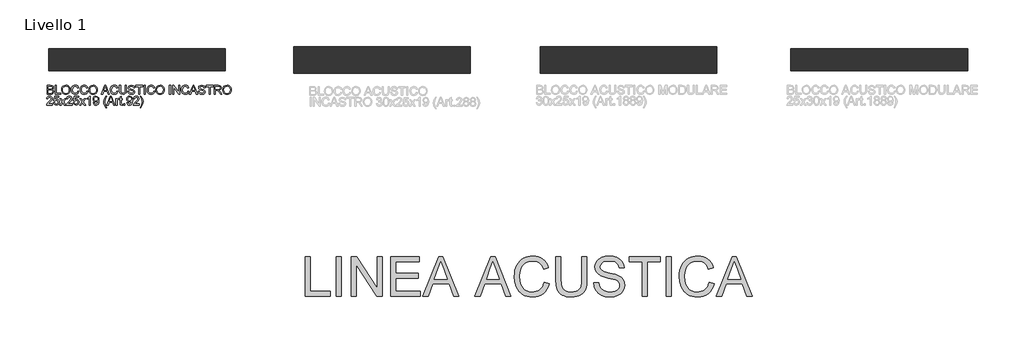
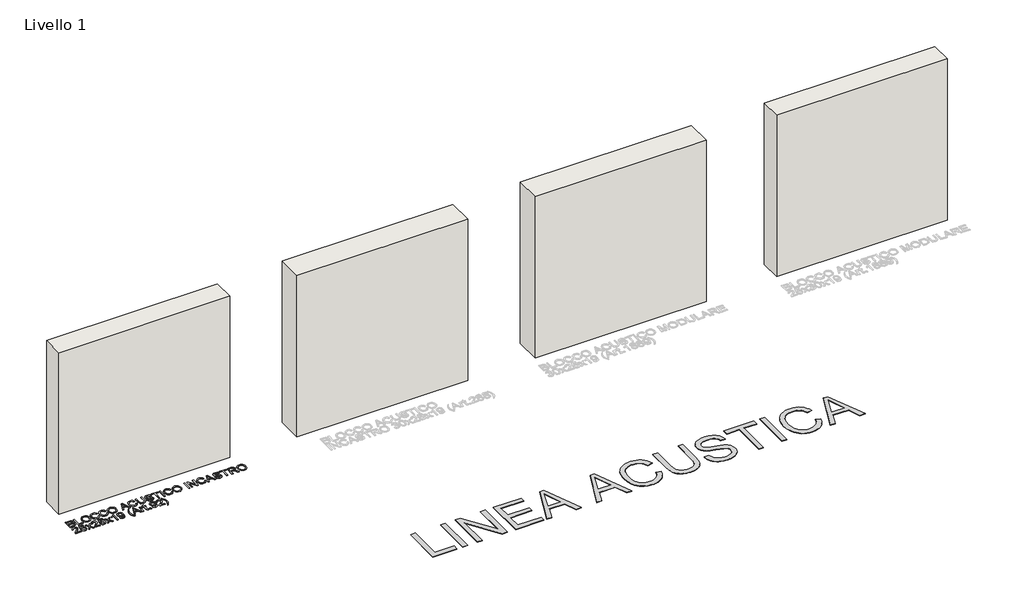
# One storey, part 1 of 4: 4 walls, 2 proxies.
"""IFC4 building model written with IfcOpenShell, lengths in millimetres."""

import ifcopenshell
import ifcopenshell.guid

model = None  # the IFC model being written
_history = None  # IfcOwnerHistory: only IFC2X3 demands one
_inside = {}  # id of a spatial element -> (the spatial element, [elements in it])
_under = {}  # id of a project, library or spatial element -> (it, [spatial elements below it])
_declared = {}  # id of a project -> (the project, [libraries it declares])
_typed = {}  # id of a type object -> (the type object, [elements of that type])
_made_of = {}  # id of a material, layer set ... -> (it, [elements and type objects made of it])


def new_model(schema):
    """Start an empty IFC model of exactly this schema.

    Asked for "IFC4X3", IfcOpenShell would pick the latest addendum, in which some entities
    have other attributes; the version numbers below select the first issue.
    IFC2X3 requires an IfcOwnerHistory on every rooted entity: one is made here for all.
    """
    global model, _history
    if schema == "IFC4X3":
        model = ifcopenshell.file(schema_version=(4, 3, 0, 0))
    else:
        model = ifcopenshell.file(schema=schema)
    _inside.clear()
    _under.clear()
    _declared.clear()
    _typed.clear()
    _made_of.clear()
    _history = None
    if model.schema == "IFC2X3":
        org = make("IfcOrganization", Name="unknown")
        user = make(
            "IfcPersonAndOrganization",
            ThePerson=make("IfcPerson", FamilyName="unknown"),
            TheOrganization=org,
        )
        app = make(
            "IfcApplication",
            ApplicationDeveloper=org,
            Version="unknown",
            ApplicationFullName="unknown",
            ApplicationIdentifier="unknown",
        )
        _history = make(
            "IfcOwnerHistory",
            OwningUser=user,
            OwningApplication=app,
            ChangeAction="ADDED",
            CreationDate=0,
        )
    return model


def make(cls, **values):
    """One entity of the class cls with the attributes given. An attribute that is None is left unset."""
    return model.create_entity(
        cls, **{name: value for name, value in values.items() if value is not None}
    )


def rooted(cls, **values):
    """An entity with a GlobalId (a new one), such as an element, a storey or a relation."""
    return make(cls, GlobalId=ifcopenshell.guid.new(), OwnerHistory=_history, **values)


def si_unit(unit_type, name, prefix=None):
    """IfcSIUnit, for example si_unit("LENGTHUNIT", "METRE", prefix="MILLI")."""
    return make("IfcSIUnit", UnitType=unit_type, Prefix=prefix, Name=name)


def assignment(units):
    """IfcUnitAssignment: the units of a project."""
    return None if units is None else make("IfcUnitAssignment", Units=units)


def point(xyz):
    """IfcCartesianPoint."""
    return None if xyz is None else make("IfcCartesianPoint", Coordinates=xyz)


def direction(xyz):
    """IfcDirection."""
    return None if xyz is None else make("IfcDirection", DirectionRatios=xyz)


def frame(location, z_axis=None, x_axis=None):
    """IfcAxis2Placement3D, a coordinate frame: its origin and axes. An axis left out is left unset."""
    return make(
        "IfcAxis2Placement3D",
        Location=point(location),
        Axis=direction(z_axis),
        RefDirection=direction(x_axis),
    )


def origin():
    """The frame at (0, 0, 0) with its axes left unset."""
    return frame((0.0, 0.0, 0.0))


def origin_with_axes():
    """The frame at (0, 0, 0) with the z axis (0, 0, 1) and the x axis (1, 0, 0) written out."""
    return frame((0.0, 0.0, 0.0), z_axis=(0.0, 0.0, 1.0), x_axis=(1.0, 0.0, 0.0))


def place(relative_to, where):
    """IfcLocalPlacement: puts the frame where relative to a parent placement (None: the world)."""
    return make(
        "IfcLocalPlacement", PlacementRelTo=relative_to, RelativePlacement=where
    )


def context(
    kind, dimensions, precision=None, world=None, true_north=None, identifier=None
):
    """IfcGeometricRepresentationContext, for example the 3D "Model" context."""
    return make(
        "IfcGeometricRepresentationContext",
        ContextIdentifier=identifier,
        ContextType=kind,
        CoordinateSpaceDimension=dimensions,
        Precision=precision,
        WorldCoordinateSystem=world,
        TrueNorth=true_north,
    )


def project(units=None, contexts=None):
    """IfcProject with its units and contexts."""
    return rooted(
        "IfcProject",
        Name="project",
        RepresentationContexts=contexts,
        UnitsInContext=assignment(units),
    )


def spatial(cls, under=None, at=None, **own):
    """A site, building, storey or space (cls), placed at a placement, below another one or the project."""
    s = rooted(cls, ObjectPlacement=at, **own)
    if under is not None:
        _under.setdefault(under.id(), (under, []))[1].append(s)
    return s


def polyline(points):
    """IfcPolyline through the points."""
    return make("IfcPolyline", Points=[point(p) for p in points])


def outline(outer, holes=None, kind="AREA"):
    """IfcArbitraryClosedProfileDef: a profile drawn as a closed curve; with holes, ...WithVoids."""
    if holes is None:
        return make("IfcArbitraryClosedProfileDef", ProfileType=kind, OuterCurve=outer)
    return make(
        "IfcArbitraryProfileDefWithVoids",
        ProfileType=kind,
        OuterCurve=outer,
        InnerCurves=holes,
    )


def extrude(swept, where, along, depth):
    """IfcExtrudedAreaSolid: the profile swept, set in the frame where, extruded along a direction by depth."""
    return make(
        "IfcExtrudedAreaSolid",
        SweptArea=swept,
        Position=where,
        ExtrudedDirection=direction(along),
        Depth=depth,
    )


def shape(context_of_items, identifier, shape_type, items):
    """IfcShapeRepresentation: the items that make up one representation, for example the "Body"."""
    return make(
        "IfcShapeRepresentation",
        ContextOfItems=context_of_items,
        RepresentationIdentifier=identifier,
        RepresentationType=shape_type,
        Items=items,
    )


def made_of(thing, what):
    """Note that an element or type object is made of a material, layer set ...; save() writes the relation."""
    if what is not None:
        _made_of.setdefault(what.id(), (what, []))[1].append(thing)
    return thing


def element(
    cls,
    number,
    at=None,
    inside=None,
    cuts=None,
    type_object=None,
    material=None,
    context=None,
    identifier="Body",
    shape_type=None,
    held_by="IfcProductDefinitionShape",
    body=None,
    shapes=None,
    **own,
):
    """One element of the class cls, such as IfcWall. Its Tag is "e" and its number.

    at: its placement. inside: the storey or other place that contains it. cuts: it is an
    opening in that element (IfcRelVoidsElement). A single representation is given by context,
    identifier, shape_type and body (its items); several are given by shapes. held_by: the class
    of the entity that holds the representations. save() writes the other relations.
    """
    e = rooted(cls, Tag="e%d" % number, ObjectPlacement=at, **own)
    if body is not None:
        shapes = [shape(context, identifier, shape_type, body)]
    if shapes is not None:
        e.Representation = make(held_by, Representations=shapes)
    if inside is not None:
        _inside.setdefault(inside.id(), (inside, []))[1].append(e)
    if cuts is not None:
        rooted(
            "IfcRelVoidsElement", RelatingBuildingElement=cuts, RelatedOpeningElement=e
        )
    if type_object is not None:
        _typed.setdefault(type_object.id(), (type_object, []))[1].append(e)
    return made_of(e, material)


def aggregate(whole, parts):
    """IfcRelAggregates: a whole, such as a stair, and the parts it consists of."""
    return rooted("IfcRelAggregates", RelatingObject=whole, RelatedObjects=parts)


def save(model, path):
    """Write the relations noted so far, then the file.

    IfcRelAggregates (storeys below a building ...), IfcRelContainedInSpatialStructure (elements
    in a storey), IfcRelDefinesByType, IfcRelAssociatesMaterial and IfcRelDeclares: one each for
    every whole, place, type object, material and project.
    """
    for whole, parts in _under.values():
        aggregate(whole, parts)
    for where, things in _inside.values():
        rooted(
            "IfcRelContainedInSpatialStructure",
            RelatedElements=things,
            RelatingStructure=where,
        )
    for kind, things in _typed.values():
        rooted("IfcRelDefinesByType", RelatedObjects=things, RelatingType=kind)
    for what, things in _made_of.values():
        rooted("IfcRelAssociatesMaterial", RelatedObjects=things, RelatingMaterial=what)
    for by, libraries in _declared.values():
        rooted("IfcRelDeclares", RelatingContext=by, RelatedDefinitions=libraries)
    model.write(path)


model = new_model("IFC4")

# Units and contexts
model_context = context("Model", 3, world=origin())
ifc_project = project(units=[si_unit("LENGTHUNIT", "METRE", prefix="MILLI")], contexts=[model_context])

# Site, building, storey
site = spatial("IfcSite", under=ifc_project)
building = spatial("IfcBuilding", under=site)
storey = spatial("IfcBuildingStorey", under=building, Name="Livello 1", Elevation=0.0)

# Proxies
placement = place(None, origin())
element("IfcBuildingElementProxy", 1, Name="100", ObjectType="100", at=placement, inside=storey, context=model_context, shape_type="SweptSolid", body=[
    extrude(outline(polyline([(-6058.3962105, 328.6957943), (-6058.3962105, 429.1521045), (-6020.0629066, 429.1521045), (-6001.2886621, 426.1967858), (-5990.2031513, 417.1101005), (-5986.1932376, 404.2587561), (-5989.5654892, 392.5233205), (-5999.7558205, 383.6328389), (-5987.3827227, 374.2641108), (-5983.0539779, 358.6413887), (-5986.0092966, 345.1401195), (-5993.3301483, 335.5261367), (-6004.2562436, 330.4248397), (-6020.3572122, 328.6957943), (-6058.3962105, 328.6957943)]), holes=[polyline([(-6045.8391717, 341.2528331), (-6020.0874321, 341.2528331), (-6010.7677549, 341.7433424), (-6002.8828174, 344.4779319), (-5997.6588931, 350.0574755), (-5995.6110167, 358.5187614), (-5998.0145124, 368.279897), (-6005.8013479, 374.1046953), (-6021.3137054, 375.7846897), (-6045.8391717, 375.7846897), (-6045.8391717, 341.2528331)]), polyline([(-6045.8391717, 388.3417285), (-6022.9078607, 388.3417285), (-6009.5169561, 389.420849), (-6001.4603404, 394.0684249), (-5998.7502764, 402.2476679), (-6001.2763994, 410.4391736), (-6008.511412, 415.2829533), (-6024.6491688, 416.5950657), (-6045.8391717, 416.5950657), (-6045.8391717, 388.3417285)])]), origin_with_axes(), (0.0, 0.0, 1.0), 5.0),
    extrude(outline(polyline([(-5965.7880496, 328.6957943), (-5965.7880496, 429.1521045), (-5953.2310108, 429.1521045), (-5953.2310108, 341.2528331), (-5903.0028558, 341.2528331), (-5903.0028558, 328.6957943), (-5965.7880496, 328.6957943)])), origin_with_axes(), (0.0, 0.0, 1.0), 5.0),
    extrude(outline(polyline([(-5893.5850767, 377.5995742), (-5890.2373505, 399.8135154), (-5880.1941721, 416.6195912), (-5864.8596242, 427.1961985), (-5845.63779, 430.7217343), (-5832.4614832, 429.0662653), (-5820.6463398, 424.0998584), (-5810.8361532, 416.1720014), (-5803.6747171, 405.6321822), (-5799.2969213, 392.9893043), (-5797.8376561, 378.7522711), (-5799.3735634, 364.3251656), (-5803.9812854, 351.504478), (-5811.4063703, 340.9462648), (-5821.3943665, 333.306582), (-5833.1083424, 328.6712689), (-5845.7113664, 327.1261645), (-5859.0900083, 328.8337501), (-5870.9725967, 333.9565069), (-5880.7582578, 342.0315166), (-5887.8461176, 352.5958613), (-5893.5850767, 377.5995742)]), holes=[polyline([(-5881.0280379, 377.4769469), (-5878.5172433, 361.7622543), (-5870.9848594, 349.7876954), (-5859.663291, 342.2093263), (-5845.7849428, 339.6832032), (-5831.7042594, 342.2338517), (-5820.3642969, 349.8857972), (-5812.8870954, 362.2282382), (-5810.3946948, 378.850373), (-5814.662126, 399.5743921), (-5827.1333256, 413.2963905), (-5845.5642136, 418.1646955), (-5859.0716142, 415.8194478), (-5870.5556638, 408.7837047), (-5878.4099444, 396.2665198), (-5881.0280379, 377.4769469)])]), origin_with_axes(), (0.0, 0.0, 1.0), 5.0),
    extrude(outline(polyline([(-5709.9383847, 364.4048733), (-5697.3813459, 361.1675118), (-5703.1754873, 346.5350054), (-5712.268304, 335.8449678), (-5724.2122061, 329.3058653), (-5738.5596039, 327.1261645), (-5753.1246652, 328.7755021), (-5764.6914883, 333.7235149), (-5773.5574444, 341.7985247), (-5780.0199048, 352.8288532), (-5785.2806173, 379.6842389), (-5783.7937609, 394.3320736), (-5779.3331917, 406.9810829), (-5772.1319017, 417.2296621), (-5762.4228827, 424.6762069), (-5750.9081762, 429.2103525), (-5738.2898238, 430.7217343), (-5724.5218401, 428.7658284), (-5713.138958, 422.8981106), (-5704.4967968, 413.4803315), (-5698.9509758, 400.8742418), (-5711.5080145, 397.8821349), (-5721.8087104, 413.3209159), (-5738.7803331, 418.1646955), (-5758.4252316, 412.7936184), (-5769.5230052, 398.3726442), (-5772.7235785, 379.7087643), (-5768.934394, 358.077303), (-5757.1376447, 344.2572027), (-5739.8104027, 339.6832032), (-5729.3288315, 341.2405704), (-5720.5946998, 345.9126717), (-5714.000415, 353.6504563), (-5709.9383847, 364.4048733)])), origin_with_axes(), (0.0, 0.0, 1.0), 5.0),
    extrude(outline(polyline([(-5609.4820745, 364.4048733), (-5596.9250358, 361.1675118), (-5602.7191772, 346.5350054), (-5611.8119938, 335.8449678), (-5623.7558959, 329.3058653), (-5638.1032938, 327.1261645), (-5652.6683551, 328.7755021), (-5664.2351782, 333.7235149), (-5673.1011342, 341.7985247), (-5679.5635946, 352.8288532), (-5684.8243071, 379.6842389), (-5683.3374508, 394.3320736), (-5678.8768816, 406.9810829), (-5671.6755915, 417.2296621), (-5661.9665725, 424.6762069), (-5650.4518661, 429.2103525), (-5637.8335136, 430.7217343), (-5624.06553, 428.7658284), (-5612.6826479, 422.8981106), (-5604.0404867, 413.4803315), (-5598.4946656, 400.8742418), (-5611.0517044, 397.8821349), (-5621.3524002, 413.3209159), (-5638.324023, 418.1646955), (-5657.9689215, 412.7936184), (-5669.066695, 398.3726442), (-5672.2672684, 379.7087643), (-5668.4780838, 358.077303), (-5656.6813345, 344.2572027), (-5639.3540925, 339.6832032), (-5628.8725214, 341.2405704), (-5620.1383897, 345.9126717), (-5613.5441049, 353.6504563), (-5609.4820745, 364.4048733)])), origin_with_axes(), (0.0, 0.0, 1.0), 5.0),
    extrude(outline(polyline([(-5584.367997, 377.5995742), (-5581.0202708, 399.8135154), (-5570.9770924, 416.6195912), (-5555.6425445, 427.1961985), (-5536.4207103, 430.7217343), (-5523.2444035, 429.0662653), (-5511.4292601, 424.0998584), (-5501.6190735, 416.1720014), (-5494.4576374, 405.6321822), (-5490.0798416, 392.9893043), (-5488.6205764, 378.7522711), (-5490.1564837, 364.3251656), (-5494.7642057, 351.504478), (-5502.1892906, 340.9462648), (-5512.1772868, 333.306582), (-5523.8912627, 328.6712689), (-5536.4942867, 327.1261645), (-5549.8729286, 328.8337501), (-5561.755517, 333.9565069), (-5571.5411781, 342.0315166), (-5578.6290379, 352.5958613), (-5584.367997, 377.5995742)]), holes=[polyline([(-5571.8109582, 377.4769469), (-5569.3001636, 361.7622543), (-5561.7677798, 349.7876954), (-5550.4462114, 342.2093263), (-5536.5678631, 339.6832032), (-5522.4871797, 342.2338517), (-5511.1472172, 349.8857972), (-5503.6700157, 362.2282382), (-5501.1776152, 378.850373), (-5505.4450463, 399.5743921), (-5517.9162459, 413.2963905), (-5536.3471339, 418.1646955), (-5549.8545345, 415.8194478), (-5561.3385841, 408.7837047), (-5569.1928647, 396.2665198), (-5571.8109582, 377.4769469)])]), origin_with_axes(), (0.0, 0.0, 1.0), 5.0),
    extrude(outline(polyline([(-5443.8125494, 328.6957943), (-5403.7134119, 429.1521045), (-5393.0203086, 429.1521045), (-5352.9211711, 328.6957943), (-5366.1894484, 328.6957943), (-5377.6918921, 360.0883912), (-5419.0663538, 360.0883912), (-5430.5442721, 328.6957943), (-5443.8125494, 328.6957943)]), holes=[polyline([(-5414.4555662, 372.64543), (-5382.2781543, 372.64543), (-5391.3280514, 397.3425746), (-5398.3668602, 416.5950657), (-5404.6208542, 399.5008157), (-5414.4555662, 372.64543)])]), origin_with_axes(), (0.0, 0.0, 1.0), 5.0),
    extrude(outline(polyline([(-5268.8723979, 364.4048733), (-5256.3153592, 361.1675118), (-5262.1095006, 346.5350054), (-5271.2023172, 335.8449678), (-5283.1462193, 329.3058653), (-5297.4936172, 327.1261645), (-5312.0586785, 328.7755021), (-5323.6255015, 333.7235149), (-5332.4914576, 341.7985247), (-5338.953918, 352.8288532), (-5344.2146305, 379.6842389), (-5342.7277741, 394.3320736), (-5338.267205, 406.9810829), (-5331.0659149, 417.2296621), (-5321.3568959, 424.6762069), (-5309.8421895, 429.2103525), (-5297.223837, 430.7217343), (-5283.4558534, 428.7658284), (-5272.0729713, 422.8981106), (-5263.4308101, 413.4803315), (-5257.884989, 400.8742418), (-5270.4420278, 397.8821349), (-5280.7427236, 413.3209159), (-5297.7143464, 418.1646955), (-5317.3592449, 412.7936184), (-5328.4570184, 398.3726442), (-5331.6575918, 379.7087643), (-5327.8684072, 358.077303), (-5316.0716579, 344.2572027), (-5298.7444159, 339.6832032), (-5288.2628448, 341.2405704), (-5279.5287131, 345.9126717), (-5272.9344283, 353.6504563), (-5268.8723979, 364.4048733)])), origin_with_axes(), (0.0, 0.0, 1.0), 5.0),
    extrude(outline(polyline([(-5173.1249773, 429.1521045), (-5160.5679386, 429.1521045), (-5160.5679386, 371.1984275), (-5163.9769784, 347.1757332), (-5176.264237, 332.7057081), (-5186.5281447, 328.5210504), (-5199.56343, 327.1261645), (-5222.5070038, 331.9822068), (-5230.1466866, 337.9265667), (-5235.2357208, 346.0475618), (-5239.0494309, 371.1984275), (-5239.0494309, 429.1521045), (-5226.4923921, 429.1521045), (-5226.4923921, 371.6398859), (-5224.01532, 352.4977594), (-5215.5049832, 343.0186667), (-5200.7406524, 339.6832032), (-5187.9690158, 341.3325409), (-5179.4770731, 346.2805537), (-5174.7130013, 355.919062), (-5173.1249773, 371.6398859), (-5173.1249773, 429.1521045)])), origin_with_axes(), (0.0, 0.0, 1.0), 5.0),
    extrude(outline(polyline([(-5143.3020102, 363.2276509), (-5130.7449715, 363.2276509), (-5126.6982695, 350.6583494), (-5116.8145066, 342.7120983), (-5101.7558703, 339.6832032), (-5088.6347458, 341.9763343), (-5080.1611971, 348.2793792), (-5077.3775567, 356.7038769), (-5079.4622214, 364.5397634), (-5087.9970836, 370.2419343), (-5106.2808188, 375.036663), (-5125.9625055, 381.2293432), (-5136.6433461, 390.5735459), (-5140.1627506, 403.0570083), (-5135.8094803, 417.269516), (-5123.093026, 427.3004318), (-5104.478197, 430.7217343), (-5084.6125693, 427.1410162), (-5071.3688175, 416.6195912), (-5066.3901478, 400.8987672), (-5078.9471866, 400.8987672), (-5081.2525804, 408.3912972), (-5086.0595718, 413.7991625), (-5103.9876877, 418.1646955), (-5121.9648545, 413.8482135), (-5127.6057118, 403.4248903), (-5123.6080608, 394.7183497), (-5103.1047709, 387.7040663), (-5080.8846984, 381.4010215), (-5068.7323298, 371.222953), (-5064.8205179, 357.0227079), (-5069.320941, 342.0008598), (-5082.2703872, 331.0379764), (-5101.2653609, 327.1261645), (-5123.6938999, 331.3445447), (-5137.8818822, 344.0487363), (-5143.3020102, 363.2276509)])), origin_with_axes(), (0.0, 0.0, 1.0), 5.0),
    extrude(outline(polyline([(-5020.8708823, 328.6957943), (-5020.8708823, 416.5950657), (-5053.833109, 416.5950657), (-5053.833109, 429.1521045), (-4975.3516167, 429.1521045), (-4975.3516167, 416.5950657), (-5008.3138435, 416.5950657), (-5008.3138435, 328.6957943), (-5020.8708823, 328.6957943)])), origin_with_axes(), (0.0, 0.0, 1.0), 5.0),
    extrude(outline(polyline([(-4959.6553183, 328.6957943), (-4959.6553183, 429.1521045), (-4947.0982795, 429.1521045), (-4947.0982795, 328.6957943), (-4959.6553183, 328.6957943)])), origin_with_axes(), (0.0, 0.0, 1.0), 5.0),
    extrude(outline(polyline([(-4851.3508589, 364.4048733), (-4838.7938201, 361.1675118), (-4844.5879615, 346.5350054), (-4853.6807782, 335.8449678), (-4865.6246803, 329.3058653), (-4879.9720781, 327.1261645), (-4894.5371394, 328.7755021), (-4906.1039625, 333.7235149), (-4914.9699186, 341.7985247), (-4921.432379, 352.8288532), (-4926.6930915, 379.6842389), (-4925.2062351, 394.3320736), (-4920.7456659, 406.9810829), (-4913.5443758, 417.2296621), (-4903.8353569, 424.6762069), (-4892.3206504, 429.2103525), (-4879.702298, 430.7217343), (-4865.9343143, 428.7658284), (-4854.5514322, 422.8981106), (-4845.909271, 413.4803315), (-4840.36345, 400.8742418), (-4852.9204887, 397.8821349), (-4863.2211846, 413.3209159), (-4880.1928073, 418.1646955), (-4899.8377058, 412.7936184), (-4910.9354794, 398.3726442), (-4914.1360527, 379.7087643), (-4910.3468682, 358.077303), (-4898.5501189, 344.2572027), (-4881.2228769, 339.6832032), (-4870.7413057, 341.2405704), (-4862.007174, 345.9126717), (-4855.4128892, 353.6504563), (-4851.3508589, 364.4048733)])), origin_with_axes(), (0.0, 0.0, 1.0), 5.0),
    extrude(outline(polyline([(-4826.2367813, 377.5995742), (-4822.8890552, 399.8135154), (-4812.8458767, 416.6195912), (-4797.5113289, 427.1961985), (-4778.2894946, 430.7217343), (-4765.1131878, 429.0662653), (-4753.2980444, 424.0998584), (-4743.4878579, 416.1720014), (-4736.3264217, 405.6321822), (-4731.948626, 392.9893043), (-4730.4893607, 378.7522711), (-4732.0252681, 364.3251656), (-4736.63299, 351.504478), (-4744.058075, 340.9462648), (-4754.0460712, 333.306582), (-4765.760047, 328.6712689), (-4778.363071, 327.1261645), (-4791.7417129, 328.8337501), (-4803.6243014, 333.9565069), (-4813.4099624, 342.0315166), (-4820.4978222, 352.5958613), (-4826.2367813, 377.5995742)]), holes=[polyline([(-4813.6797426, 377.4769469), (-4811.168948, 361.7622543), (-4803.6365641, 349.7876954), (-4792.3149957, 342.2093263), (-4778.4366474, 339.6832032), (-4764.3559641, 342.2338517), (-4753.0160016, 349.8857972), (-4745.5388, 362.2282382), (-4743.0463995, 378.850373), (-4747.3138306, 399.5743921), (-4759.7850303, 413.2963905), (-4778.2159182, 418.1646955), (-4791.7233188, 415.8194478), (-4803.2073684, 408.7837047), (-4811.061649, 396.2665198), (-4813.6797426, 377.4769469)])]), origin_with_axes(), (0.0, 0.0, 1.0), 5.0),
    extrude(outline(polyline([(-4672.4130564, 328.6957943), (-4672.4130564, 429.1521045), (-4659.8560177, 429.1521045), (-4659.8560177, 328.6957943), (-4672.4130564, 328.6957943)])), origin_with_axes(), (0.0, 0.0, 1.0), 5.0),
    extrude(outline(polyline([(-4634.7419401, 328.6957943), (-4634.7419401, 429.1521045), (-4621.3019846, 429.1521045), (-4568.8174866, 349.5669662), (-4568.8174866, 429.1521045), (-4556.2604478, 429.1521045), (-4556.2604478, 328.6957943), (-4569.7004034, 328.6957943), (-4622.1849013, 408.3054581), (-4622.1849013, 328.6957943), (-4634.7419401, 328.6957943)])), origin_with_axes(), (0.0, 0.0, 1.0), 5.0),
    extrude(outline(polyline([(-4463.6522869, 364.4048733), (-4451.0952481, 361.1675118), (-4456.8893895, 346.5350054), (-4465.9822062, 335.8449678), (-4477.9261083, 329.3058653), (-4492.2735061, 327.1261645), (-4506.8385674, 328.7755021), (-4518.4053905, 333.7235149), (-4527.2713466, 341.7985247), (-4533.733807, 352.8288532), (-4538.9945195, 379.6842389), (-4537.5076631, 394.3320736), (-4533.0470939, 406.9810829), (-4525.8458039, 417.2296621), (-4516.1367849, 424.6762069), (-4504.6220784, 429.2103525), (-4492.003726, 430.7217343), (-4478.2357423, 428.7658284), (-4466.8528602, 422.8981106), (-4458.210699, 413.4803315), (-4452.664878, 400.8742418), (-4465.2219167, 397.8821349), (-4475.5226126, 413.3209159), (-4492.4942353, 418.1646955), (-4512.1391339, 412.7936184), (-4523.2369074, 398.3726442), (-4526.4374807, 379.7087643), (-4522.6482962, 358.077303), (-4510.8515469, 344.2572027), (-4493.5243049, 339.6832032), (-4483.0427337, 341.2405704), (-4474.308602, 345.9126717), (-4467.7143173, 353.6504563), (-4463.6522869, 364.4048733)])), origin_with_axes(), (0.0, 0.0, 1.0), 5.0),
    extrude(outline(polyline([(-4445.5279673, 328.6957943), (-4405.4288298, 429.1521045), (-4394.7357265, 429.1521045), (-4354.636589, 328.6957943), (-4367.9048663, 328.6957943), (-4379.40731, 360.0883912), (-4420.7817717, 360.0883912), (-4432.25969, 328.6957943), (-4445.5279673, 328.6957943)]), holes=[polyline([(-4416.170984, 372.64543), (-4383.9935722, 372.64543), (-4393.0434693, 397.3425746), (-4400.0822781, 416.5950657), (-4406.336272, 399.5008157), (-4416.170984, 372.64543)])]), origin_with_axes(), (0.0, 0.0, 1.0), 5.0),
    extrude(outline(polyline([(-4345.9300484, 363.2276509), (-4333.3730097, 363.2276509), (-4329.3263077, 350.6583494), (-4319.4425448, 342.7120983), (-4304.3839084, 339.6832032), (-4291.262784, 341.9763343), (-4282.7892353, 348.2793792), (-4280.0055949, 356.7038769), (-4282.0902595, 364.5397634), (-4290.6251218, 370.2419343), (-4308.908857, 375.036663), (-4328.5905437, 381.2293432), (-4339.2713843, 390.5735459), (-4342.7907887, 403.0570083), (-4338.4375185, 417.269516), (-4325.7210642, 427.3004318), (-4307.1062352, 430.7217343), (-4287.2406075, 427.1410162), (-4273.9968556, 416.6195912), (-4269.018186, 400.8987672), (-4281.5752247, 400.8987672), (-4283.8806186, 408.3912972), (-4288.68761, 413.7991625), (-4306.6157259, 418.1646955), (-4324.5928927, 413.8482135), (-4330.23375, 403.4248903), (-4326.236099, 394.7183497), (-4305.7328091, 387.7040663), (-4283.5127366, 381.4010215), (-4271.360368, 371.222953), (-4267.4485561, 357.0227079), (-4271.9489792, 342.0008598), (-4284.8984254, 331.0379764), (-4303.8933991, 327.1261645), (-4326.3219381, 331.3445447), (-4340.5099204, 344.0487363), (-4345.9300484, 363.2276509)])), origin_with_axes(), (0.0, 0.0, 1.0), 5.0),
    extrude(outline(polyline([(-4223.4989204, 328.6957943), (-4223.4989204, 416.5950657), (-4256.4611472, 416.5950657), (-4256.4611472, 429.1521045), (-4177.9796549, 429.1521045), (-4177.9796549, 416.5950657), (-4210.9418817, 416.5950657), (-4210.9418817, 328.6957943), (-4223.4989204, 328.6957943)])), origin_with_axes(), (0.0, 0.0, 1.0), 5.0),
    extrude(outline(polyline([(-4163.8529863, 328.6957943), (-4163.8529863, 429.1521045), (-4120.5655382, 429.1521045), (-4100.4669185, 426.4420404), (-4089.4795096, 416.8525831), (-4085.371494, 401.6590567), (-4087.0729482, 391.763031), (-4092.1773109, 383.5592625), (-4100.8378662, 377.5443919), (-4113.2078983, 374.2150599), (-4106.0709876, 368.8439827), (-4095.892919, 355.919062), (-4079.1420255, 328.6957943), (-4093.734678, 328.6957943), (-4106.8067516, 349.5179152), (-4116.2490561, 363.3012273), (-4122.8831948, 369.8127386), (-4128.8551458, 372.2039716), (-4136.1392093, 372.64543), (-4151.2959475, 372.64543), (-4151.2959475, 328.6957943), (-4163.8529863, 328.6957943)]), holes=[polyline([(-4151.2959475, 385.2024688), (-4123.1897631, 385.2024688), (-4108.854628, 386.9805651), (-4100.7121732, 392.6704733), (-4097.9285328, 401.1930728), (-4103.2382962, 412.2540582), (-4120.0259779, 416.5950657), (-4151.2959475, 416.5950657), (-4151.2959475, 385.2024688)])]), origin_with_axes(), (0.0, 0.0, 1.0), 5.0),
    extrude(outline(polyline([(-4068.1055657, 377.5995742), (-4064.7578395, 399.8135154), (-4054.7146611, 416.6195912), (-4039.3801132, 427.1961985), (-4020.158279, 430.7217343), (-4006.9819722, 429.0662653), (-3995.1668288, 424.0998584), (-3985.3566422, 416.1720014), (-3978.1952061, 405.6321822), (-3973.8174103, 392.9893043), (-3972.3581451, 378.7522711), (-3973.8940524, 364.3251656), (-3978.5017744, 351.504478), (-3985.9268593, 340.9462648), (-3995.9148555, 333.306582), (-4007.6288314, 328.6712689), (-4020.2318554, 327.1261645), (-4033.6104973, 328.8337501), (-4045.4930857, 333.9565069), (-4055.2787468, 342.0315166), (-4062.3666066, 352.5958613), (-4068.1055657, 377.5995742)]), holes=[polyline([(-4055.5485269, 377.4769469), (-4053.0377323, 361.7622543), (-4045.5053484, 349.7876954), (-4034.18378, 342.2093263), (-4020.3054318, 339.6832032), (-4006.2247484, 342.2338517), (-3994.8847859, 349.8857972), (-3987.4075844, 362.2282382), (-3984.9151838, 378.850373), (-3989.182615, 399.5743921), (-4001.6538146, 413.2963905), (-4020.0847026, 418.1646955), (-4033.5921032, 415.8194478), (-4045.0761528, 408.7837047), (-4052.9304334, 396.2665198), (-4055.5485269, 377.4769469)])]), origin_with_axes(), (0.0, 0.0, 1.0), 5.0),
    extrude(outline(polyline([(-5998.7502764, 219.2780152), (-5998.7502764, 206.7209765), (-6064.6747299, 206.7209765), (-6063.3258293, 215.3784661), (-6055.6984092, 228.7080571), (-6039.9775853, 243.2639213), (-6018.297073, 264.1841441), (-6012.876945, 278.4089146), (-6017.9905047, 289.9236211), (-6031.3446211, 294.6202479), (-6045.2628233, 290.0339856), (-6050.5480613, 277.3543195), (-6063.1051001, 278.9239494), (-6060.0608765, 291.0701866), (-6053.4788545, 299.9422741), (-6043.7023905, 305.3685335), (-6031.074841, 307.1772866), (-6018.355321, 305.1661984), (-6008.5972511, 299.1329337), (-6002.3892424, 290.1198248), (-6000.3199062, 279.1692041), (-6002.5517236, 267.2620901), (-6009.9706772, 254.950306), (-6027.9601068, 237.7456914), (-6042.4056065, 225.6668992), (-6048.0709892, 219.2780152), (-5998.7502764, 219.2780152)])), origin_with_axes(), (0.0, 0.0, 1.0), 5.0),
    extrude(outline(polyline([(-5986.1932376, 233.4046839), (-5973.6361988, 234.9743137), (-5967.3086285, 222.0371302), (-5954.187504, 217.7083854), (-5945.1866579, 219.2136359), (-5938.4421546, 223.7293874), (-5934.2299058, 230.7344737), (-5932.8258228, 239.7077287), (-5938.0865354, 254.6192122), (-5944.6930829, 258.7210965), (-5953.9913003, 260.0883912), (-5965.0154974, 257.9056247), (-5972.066569, 252.240242), (-5984.6236078, 253.8098719), (-5973.6361988, 305.6076568), (-5924.9776736, 305.6076568), (-5924.9776736, 293.050618), (-5963.4826558, 293.050618), (-5968.8537329, 265.385892), (-5959.8835436, 270.8305455), (-5950.4841586, 272.64543), (-5938.7517886, 270.3952185), (-5929.0121128, 263.6445839), (-5922.4546162, 253.3561507), (-5920.2687841, 240.4925436), (-5922.2369527, 227.9355049), (-5928.1414588, 217.1933506), (-5939.4476987, 208.1618476), (-5954.2365549, 205.1513466), (-5966.5697988, 207.0857928), (-5976.3953138, 212.8891313), (-5983.13062, 221.8869117), (-5986.1932376, 233.4046839)])), origin_with_axes(), (0.0, 0.0, 1.0), 5.0),
    extrude(outline(polyline([(-5913.9902647, 206.7209765), (-5887.1594045, 243.8034816), (-5912.4206348, 280.4935792), (-5897.3129476, 280.4935792), (-5885.1237908, 262.8352435), (-5879.4338826, 254.4965849), (-5874.5042639, 261.3146646), (-5860.6228499, 280.4935792), (-5845.5151626, 280.4935792), (-5872.0517172, 243.8034816), (-5846.4961813, 206.7209765), (-5861.6038686, 206.7209765), (-5876.981336, 229.0146254), (-5879.8017646, 233.0858528), (-5898.8825774, 206.7209765), (-5913.9902647, 206.7209765)])), origin_with_axes(), (0.0, 0.0, 1.0), 5.0),
    extrude(outline(polyline([(-5774.2932084, 219.2780152), (-5774.2932084, 206.7209765), (-5840.2176619, 206.7209765), (-5838.8687613, 215.3784661), (-5831.2413412, 228.7080571), (-5815.5205173, 243.2639213), (-5793.8400051, 264.1841441), (-5788.419877, 278.4089146), (-5793.5334367, 289.9236211), (-5806.8875531, 294.6202479), (-5820.8057553, 290.0339856), (-5826.0909933, 277.3543195), (-5838.6480321, 278.9239494), (-5835.6038086, 291.0701866), (-5829.0217865, 299.9422741), (-5819.2453225, 305.3685335), (-5806.617773, 307.1772866), (-5793.898253, 305.1661984), (-5784.1401831, 299.1329337), (-5777.9321744, 290.1198248), (-5775.8628382, 279.1692041), (-5778.0946557, 267.2620901), (-5785.5136092, 254.950306), (-5803.5030388, 237.7456914), (-5817.9485385, 225.6668992), (-5823.6139212, 219.2780152), (-5774.2932084, 219.2780152)])), origin_with_axes(), (0.0, 0.0, 1.0), 5.0),
    extrude(outline(polyline([(-5761.7361696, 233.4046839), (-5749.1791308, 234.9743137), (-5742.8515605, 222.0371302), (-5729.730436, 217.7083854), (-5720.7295899, 219.2136359), (-5713.9850866, 223.7293874), (-5709.7728378, 230.7344737), (-5708.3687548, 239.7077287), (-5713.6294674, 254.6192122), (-5720.2360149, 258.7210965), (-5729.5342323, 260.0883912), (-5740.5584294, 257.9056247), (-5747.609501, 252.240242), (-5760.1665398, 253.8098719), (-5749.1791308, 305.6076568), (-5700.5206056, 305.6076568), (-5700.5206056, 293.050618), (-5739.0255878, 293.050618), (-5744.3966649, 265.385892), (-5735.4264756, 270.8305455), (-5726.0270906, 272.64543), (-5714.2947206, 270.3952185), (-5704.5550448, 263.6445839), (-5697.9975483, 253.3561507), (-5695.8117161, 240.4925436), (-5697.7798847, 227.9355049), (-5703.6843908, 217.1933506), (-5714.9906308, 208.1618476), (-5729.779487, 205.1513466), (-5742.1127308, 207.0857928), (-5751.9382458, 212.8891313), (-5758.673552, 221.8869117), (-5761.7361696, 233.4046839)])), origin_with_axes(), (0.0, 0.0, 1.0), 5.0),
    extrude(outline(polyline([(-5689.5331967, 206.7209765), (-5662.7023365, 243.8034816), (-5687.9635668, 280.4935792), (-5672.8558796, 280.4935792), (-5660.6667228, 262.8352435), (-5654.9768146, 254.4965849), (-5650.0471959, 261.3146646), (-5636.1657819, 280.4935792), (-5621.0580947, 280.4935792), (-5647.5946492, 243.8034816), (-5622.0391133, 206.7209765), (-5637.1468006, 206.7209765), (-5652.524268, 229.0146254), (-5655.3446966, 233.0858528), (-5674.4255094, 206.7209765), (-5689.5331967, 206.7209765)])), origin_with_axes(), (0.0, 0.0, 1.0), 5.0),
    extrude(outline(polyline([(-5567.1020687, 206.7209765), (-5579.6591075, 206.7209765), (-5579.6591075, 285.006265), (-5591.5539586, 276.5327164), (-5604.773185, 270.1928834), (-5604.773185, 282.0632091), (-5586.3668225, 293.8109075), (-5575.1954726, 307.1772866), (-5567.1020687, 307.1772866), (-5567.1020687, 206.7209765)])), origin_with_axes(), (0.0, 0.0, 1.0), 5.0),
    extrude(outline(polyline([(-5535.7094718, 231.835054), (-5523.152433, 233.4046839), (-5517.5115757, 221.4239935), (-5506.8184724, 217.7083854), (-5496.6526666, 220.0996184), (-5489.7610106, 226.4885023), (-5485.652995, 237.4023349), (-5483.8381104, 251.9704619), (-5483.9116868, 254.4230085), (-5493.9548653, 244.9071276), (-5507.7259147, 241.2528331), (-5519.1762418, 243.4846505), (-5528.7074511, 250.1801028), (-5535.136189, 260.5237183), (-5537.2791016, 273.7000251), (-5535.0319558, 287.3116589), (-5528.2905182, 297.9802367), (-5518.1645663, 304.8780242), (-5505.7638774, 307.1772866), (-5487.8725497, 301.9288368), (-5475.5607656, 286.9683024), (-5471.3546481, 258.8621179), (-5475.5485028, 228.3647005), (-5480.7632301, 218.3736387), (-5488.0197025, 211.0865095), (-5497.0052202, 206.6351373), (-5507.4070836, 205.1513466), (-5518.1431065, 206.9018518), (-5526.7086256, 212.1533673), (-5532.6989708, 220.5747993), (-5535.7094718, 231.835054)]), holes=[polyline([(-5483.9116868, 273.9943307), (-5485.2667189, 282.5046675), (-5489.3318149, 289.052967), (-5495.6409911, 293.2284276), (-5503.7282637, 294.6202479), (-5512.1159731, 293.1211287), (-5518.8359509, 288.6237713), (-5523.2505349, 281.7413123), (-5524.7220628, 273.0868884), (-5523.3302426, 265.327644), (-5519.154782, 259.1686863), (-5512.6003511, 255.1495755), (-5504.0716202, 253.8098719), (-5489.5893323, 259.1686863), (-5485.3310982, 265.5545046), (-5483.9116868, 273.9943307)])]), origin_with_axes(), (0.0, 0.0, 1.0), 5.0),
    extrude(outline(polyline([(-5392.8731558, 178.4676392), (-5410.7031698, 207.9227243), (-5416.1662174, 225.1028135), (-5417.9872333, 242.8960393), (-5412.5425798, 273.4302449), (-5392.8731558, 307.1772866), (-5383.4553767, 307.1772866), (-5395.2030751, 287.2871334), (-5402.2664094, 268.0101169), (-5405.4301945, 242.8224629), (-5399.9364901, 210.6327884), (-5383.4553767, 178.4676392), (-5392.8731558, 178.4676392)])), origin_with_axes(), (0.0, 0.0, 1.0), 5.0),
    extrude(outline(polyline([(-5381.0273555, 206.7209765), (-5340.9282181, 307.1772866), (-5330.2351147, 307.1772866), (-5290.1359773, 206.7209765), (-5303.4042545, 206.7209765), (-5314.9066983, 238.1135734), (-5356.28116, 238.1135734), (-5367.7590782, 206.7209765), (-5381.0273555, 206.7209765)]), holes=[polyline([(-5351.6703723, 250.6706122), (-5319.4929605, 250.6706122), (-5328.5428576, 275.3677568), (-5335.5816664, 294.6202479), (-5341.8356603, 277.5259978), (-5351.6703723, 250.6706122)])]), origin_with_axes(), (0.0, 0.0, 1.0), 5.0),
    extrude(outline(polyline([(-5278.290177, 206.7209765), (-5278.290177, 280.4935792), (-5267.3027681, 280.4935792), (-5267.3027681, 269.5797467), (-5259.5036698, 279.6351879), (-5251.6555206, 282.0632091), (-5239.0494309, 278.1881854), (-5243.2432856, 266.9309964), (-5252.0724535, 269.5061703), (-5259.172576, 267.0290982), (-5263.6975245, 260.1619676), (-5265.7331382, 245.4957388), (-5265.7331382, 206.7209765), (-5278.290177, 206.7209765)])), origin_with_axes(), (0.0, 0.0, 1.0), 5.0),
    extrude(outline(polyline([(-5204.5175742, 217.1933506), (-5202.9479444, 206.3530945), (-5212.341198, 205.1513466), (-5222.8626231, 207.2360113), (-5228.1110729, 212.7051903), (-5229.6316518, 226.9544862), (-5229.6316518, 267.9365405), (-5239.0494309, 267.9365405), (-5239.0494309, 280.4935792), (-5229.6316518, 280.4935792), (-5229.6316518, 298.4216951), (-5217.074613, 305.8038605), (-5217.074613, 280.4935792), (-5204.5175742, 280.4935792), (-5204.5175742, 267.9365405), (-5217.074613, 267.9365405), (-5217.074613, 227.3223682), (-5216.4124254, 220.8476451), (-5214.2664471, 218.554514), (-5209.9867532, 217.7083854), (-5204.5175742, 217.1933506)])), origin_with_axes(), (0.0, 0.0, 1.0), 5.0),
    extrude(outline(polyline([(-5188.8212758, 206.7209765), (-5188.8212758, 219.2780152), (-5176.264237, 219.2780152), (-5176.264237, 206.7209765), (-5188.8212758, 206.7209765)])), origin_with_axes(), (0.0, 0.0, 1.0), 5.0),
    extrude(outline(polyline([(-5154.2894192, 231.835054), (-5141.7323804, 233.4046839), (-5136.0915231, 221.4239935), (-5125.3984198, 217.7083854), (-5115.232614, 220.0996184), (-5108.340958, 226.4885023), (-5104.2329424, 237.4023349), (-5102.4180578, 251.9704619), (-5102.4916342, 254.4230085), (-5112.5348127, 244.9071276), (-5126.3058621, 241.2528331), (-5137.7561892, 243.4846505), (-5147.2873985, 250.1801028), (-5153.7161364, 260.5237183), (-5155.859049, 273.7000251), (-5153.6119032, 287.3116589), (-5146.8704656, 297.9802367), (-5136.7445137, 304.8780242), (-5124.3438248, 307.1772866), (-5106.4524971, 301.9288368), (-5094.140713, 286.9683024), (-5089.9345955, 258.8621179), (-5094.1284502, 228.3647005), (-5099.3431775, 218.3736387), (-5106.5996499, 211.0865095), (-5115.5851676, 206.6351373), (-5125.987031, 205.1513466), (-5136.7230539, 206.9018518), (-5145.288573, 212.1533673), (-5151.2789182, 220.5747993), (-5154.2894192, 231.835054)]), holes=[polyline([(-5102.4916342, 273.9943307), (-5103.8466663, 282.5046675), (-5107.9117623, 289.052967), (-5114.2209385, 293.2284276), (-5122.3082111, 294.6202479), (-5130.6959205, 293.1211287), (-5137.4158983, 288.6237713), (-5141.8304823, 281.7413123), (-5143.3020102, 273.0868884), (-5141.91019, 265.327644), (-5137.7347294, 259.1686863), (-5131.1802985, 255.1495755), (-5122.6515676, 253.8098719), (-5108.1692797, 259.1686863), (-5103.9110456, 265.5545046), (-5102.4916342, 273.9943307)])]), origin_with_axes(), (0.0, 0.0, 1.0), 5.0),
    extrude(outline(polyline([(-5014.5923629, 219.2780152), (-5014.5923629, 206.7209765), (-5080.5168164, 206.7209765), (-5079.1679158, 215.3784661), (-5071.5404957, 228.7080571), (-5055.8196718, 243.2639213), (-5034.1391595, 264.1841441), (-5028.7190315, 278.4089146), (-5033.8325912, 289.9236211), (-5047.1867076, 294.6202479), (-5061.1049098, 290.0339856), (-5066.3901478, 277.3543195), (-5078.9471866, 278.9239494), (-5075.902963, 291.0701866), (-5069.320941, 299.9422741), (-5059.544477, 305.3685335), (-5046.9169275, 307.1772866), (-5034.1974075, 305.1661984), (-5024.4393376, 299.1329337), (-5018.2313289, 290.1198248), (-5016.1619927, 279.1692041), (-5018.3938102, 267.2620901), (-5025.8127637, 254.950306), (-5043.8021933, 237.7456914), (-5058.247693, 225.6668992), (-5063.9130757, 219.2780152), (-5014.5923629, 219.2780152)])), origin_with_axes(), (0.0, 0.0, 1.0), 5.0),
    extrude(outline(polyline([(-4995.7568047, 178.4676392), (-5005.1745838, 178.4676392), (-4988.6934704, 210.6327884), (-4983.1997659, 242.8224629), (-4986.3635511, 267.7893877), (-4993.353309, 287.0909297), (-5005.1745838, 307.1772866), (-4995.7568047, 307.1772866), (-4976.0873807, 273.4302449), (-4970.6427272, 242.8960393), (-4972.4729401, 225.1028135), (-4977.9635789, 207.9227243), (-4995.7568047, 178.4676392)])), origin_with_axes(), (0.0, 0.0, 1.0), 5.0),
])
element("IfcBuildingElementProxy", 2, Name="450mm", ObjectType="450mm", at=placement, inside=storey, context=model_context, shape_type="SweptSolid", body=[
    extrude(outline(polyline([(-3133.2504422, -1960.675424), (-3133.2504422, -1511.0192812), (-3077.0434244, -1511.0192812), (-3077.0434244, -1904.4684062), (-2852.215353, -1904.4684062), (-2852.215353, -1960.675424), (-3133.2504422, -1960.675424)])), origin_with_axes(), (0.0, 0.0, 1.0), 5.0),
    extrude(outline(polyline([(-2781.9565807, -1960.675424), (-2781.9565807, -1511.0192812), (-2725.7495628, -1511.0192812), (-2725.7495628, -1960.675424), (-2781.9565807, -1960.675424)])), origin_with_axes(), (0.0, 0.0, 1.0), 5.0),
    extrude(outline(polyline([(-2613.3355271, -1960.675424), (-2613.3355271, -1511.0192812), (-2553.1764533, -1511.0192812), (-2318.2486834, -1867.2532127), (-2318.2486834, -1511.0192812), (-2262.0416655, -1511.0192812), (-2262.0416655, -1960.675424), (-2322.2007393, -1960.675424), (-2557.1285093, -1604.3317132), (-2557.1285093, -1960.675424), (-2613.3355271, -1960.675424)])), origin_with_axes(), (0.0, 0.0, 1.0), 5.0),
    extrude(outline(polyline([(-2163.6793843, -1960.675424), (-2163.6793843, -1511.0192812), (-1840.4890316, -1511.0192812), (-1840.4890316, -1567.2262991), (-2107.4723664, -1567.2262991), (-2107.4723664, -1700.7179665), (-1854.5407861, -1700.7179665), (-1854.5407861, -1756.9249843), (-2107.4723664, -1756.9249843), (-2107.4723664, -1904.4684062), (-1833.4631544, -1904.4684062), (-1833.4631544, -1960.675424), (-2163.6793843, -1960.675424)])), origin_with_axes(), (0.0, 0.0, 1.0), 5.0),
    extrude(outline(polyline([(-1801.5173689, -1960.675424), (-1622.0281615, -1511.0192812), (-1574.1643728, -1511.0192812), (-1394.6751654, -1960.675424), (-1454.0657839, -1960.675424), (-1505.5522905, -1820.1578794), (-1690.7500231, -1820.1578794), (-1742.1267504, -1960.675424), (-1801.5173689, -1960.675424)]), holes=[polyline([(-1670.1115088, -1763.9508616), (-1526.0810255, -1763.9508616), (-1566.5895989, -1653.4030745), (-1598.0962672, -1567.2262991), (-1626.0899968, -1643.7424933), (-1670.1115088, -1763.9508616)])]), origin_with_axes(), (0.0, 0.0, 1.0), 5.0),
    extrude(outline(polyline([(-1211.3436814, -1960.675424), (-1031.854474, -1511.0192812), (-983.9906854, -1511.0192812), (-804.501478, -1960.675424), (-863.8920965, -1960.675424), (-915.3786031, -1820.1578794), (-1100.5763357, -1820.1578794), (-1151.953063, -1960.675424), (-1211.3436814, -1960.675424)]), holes=[polyline([(-1079.9378213, -1763.9508616), (-935.9073381, -1763.9508616), (-976.4159115, -1653.4030745), (-1007.9225797, -1567.2262991), (-1035.9163093, -1643.7424933), (-1079.9378213, -1763.9508616)])]), origin_with_axes(), (0.0, 0.0, 1.0), 5.0),
    extrude(outline(polyline([(-428.2877081, -1800.836717), (-372.0806903, -1815.3275888), (-383.2027088, -1850.2820142), (-398.0160574, -1880.8246826), (-416.520736, -1906.9555942), (-438.7167446, -1928.6747488), (-464.1032151, -1945.7488655), (-492.1792792, -1957.9446632), (-522.9449369, -1965.2621418), (-556.4001883, -1967.7013013), (-590.675354, -1965.8556363), (-621.5953889, -1960.3186412), (-649.160293, -1951.0903161), (-673.3700662, -1938.170661), (-694.5574773, -1921.7517897), (-713.0552946, -1902.0258161), (-728.8635184, -1878.99274), (-741.9821486, -1852.6525616), (-759.6428986, -1794.60674), (-765.5298152, -1732.4441934), (-763.8659722, -1698.5429635), (-758.8744432, -1666.8784875), (-750.5552283, -1637.4507654), (-738.9083273, -1610.2597971), (-724.1944662, -1585.7549919), (-706.674371, -1564.3857589), (-686.3480416, -1546.152098), (-663.215478, -1531.0540093), (-638.0622887, -1519.2149945), (-611.6740818, -1510.7585553), (-584.0508574, -1505.6846918), (-555.1926156, -1503.993404), (-523.0444244, -1506.1821294), (-493.5652432, -1512.7483057), (-466.7550721, -1523.6919328), (-442.6139109, -1539.0130108), (-421.5397098, -1558.3067284), (-403.9304189, -1581.1682742), (-389.7860381, -1607.5976483), (-379.1065675, -1637.5948507), (-435.3135853, -1650.9879292), (-454.7994167, -1609.9990712), (-467.2182036, -1594.3315022), (-481.4209047, -1581.8818399), (-497.4898544, -1572.3962195), (-515.5073872, -1565.6207764), (-557.3882022, -1560.2004219), (-582.6031425, -1561.7030265), (-605.6636634, -1566.2108403), (-626.5697649, -1573.7238633), (-645.321447, -1584.2420955), (-661.681998, -1597.2921136), (-675.4147063, -1612.4004941), (-686.5195718, -1629.5672371), (-694.9965946, -1648.7923426), (-705.7412467, -1689.9321471), (-709.3227974, -1732.334414), (-705.0825707, -1784.2600379), (-692.3618906, -1829.1597846), (-682.7013094, -1848.5461285), (-670.6804726, -1865.318352), (-656.2993801, -1879.4764552), (-639.558032, -1891.0204381), (-602.2467817, -1906.3758221), (-561.9989342, -1911.4942834), (-537.562741, -1909.7515365), (-515.0819923, -1904.5232959), (-494.5566878, -1895.8095614), (-475.9868278, -1883.6103332), (-459.8115293, -1867.9805008), (-446.4699099, -1848.974954), (-435.9619695, -1826.5936927), (-428.2877081, -1800.836717)])), origin_with_axes(), (0.0, 0.0, 1.0), 5.0),
    extrude(outline(polyline([(0.290803, -1511.0192812), (56.4978209, -1511.0192812), (56.4978209, -1770.4278421), (52.6829891, -1831.1769798), (41.2384938, -1877.9566976), (32.0787808, -1896.9279383), (19.8589689, -1914.0466529), (4.5790582, -1929.3128412), (-13.7609514, -1942.7265033), (-35.1816436, -1953.6529774), (-59.7036018, -1961.4576018), (-87.3268261, -1966.1403764), (-118.0513166, -1967.7013013), (-175.1228467, -1962.2672244), (-199.366926, -1955.4746282), (-220.7498814, -1945.9649936), (-239.2751437, -1933.8789753), (-254.9461433, -1919.3572281), (-267.7628803, -1902.3997519), (-277.7253546, -1883.0065468), (-290.5283692, -1834.2508011), (-294.7960407, -1770.4278421), (-294.7960407, -1511.0192812), (-238.5890229, -1511.0192812), (-238.5890229, -1768.4518142), (-235.8170947, -1818.9640292), (-227.5013104, -1854.1345826), (-212.4340971, -1878.4918718), (-189.4078822, -1896.5642943), (-159.383235, -1907.7617861), (-123.3207245, -1911.4942834), (-92.3423694, -1909.6486184), (-66.1531375, -1904.1116234), (-44.753029, -1894.8832983), (-28.1420439, -1881.9636432), (-15.7026734, -1863.7951638), (-6.8174087, -1838.8203658), (-1.4862499, -1807.0392493), (0.290803, -1768.4518142), (0.290803, -1511.0192812)])), origin_with_axes(), (0.0, 0.0, 1.0), 5.0),
    extrude(outline(polyline([(133.7824704, -1806.106125), (189.9894883, -1806.106125), (196.439024, -1837.2971776), (208.103078, -1862.3680325), (226.2990022, -1882.2655364), (252.3441487, -1897.936536), (284.1801549, -1908.1048466), (319.7486584, -1911.4942834), (351.0632128, -1908.9281915), (378.4806009, -1901.2299159), (400.6971931, -1889.0444101), (416.40936, -1873.0166277), (425.7543256, -1854.6148672), (428.8693141, -1835.3074272), (426.5365033, -1816.4939942), (419.5380709, -1800.2329307), (405.3216475, -1786.3595677), (381.3348635, -1774.7092361), (299.4943717, -1753.2473767), (245.7711112, -1739.0446757), (211.396458, -1725.5280955), (183.4164508, -1706.6186056), (163.587559, -1683.7021701), (151.7725584, -1657.2727959), (147.8342249, -1627.8244902), (152.7056827, -1594.9044131), (167.3200563, -1564.2073675), (191.2931178, -1538.1896658), (224.2406398, -1519.3076208), (263.788644, -1507.8219582), (307.5631526, -1503.993404), (354.9878239, -1508.0003496), (396.4844113, -1520.0211864), (430.5708938, -1539.808911), (455.7652504, -1567.1165198), (471.7106983, -1600.2424331), (478.0504548, -1637.4850714), (421.8434369, -1637.4850714), (418.0834948, -1619.5498731), (411.5241797, -1603.9474856), (402.1654917, -1590.6779088), (390.0074307, -1579.7411429), (374.8235769, -1571.1920774), (356.3875104, -1565.0856021), (309.7587392, -1560.2004219), (262.0321747, -1565.0307124), (243.788222, -1571.0685757), (229.290489, -1579.5215842), (210.3535543, -1600.8462194), (205.6193206, -1613.0111416), (204.0412427, -1626.1778002), (208.5147505, -1647.7768838), (221.9352738, -1665.149463), (253.6615007, -1680.6832384), (313.7107951, -1696.5463519), (375.6812279, -1711.6135652), (413.1708697, -1724.7596401), (445.2127122, -1745.151151), (467.5665286, -1770.3180628), (480.6988811, -1799.9859272), (485.076332, -1833.8802959), (480.0402051, -1868.5293975), (464.9318246, -1901.1201366), (440.3686991, -1929.1687558), (406.9683375, -1950.1914979), (366.8028245, -1963.3238504), (321.944245, -1967.7013013), (266.8761877, -1962.98079), (221.5510461, -1948.8192562), (202.4117058, -1938.1843835), (185.4473684, -1925.1618102), (170.6580341, -1909.7515365), (158.0437027, -1891.9535624), (140.4515648, -1851.4998786), (133.7824704, -1806.106125)])), origin_with_axes(), (0.0, 0.0, 1.0), 5.0),
    extrude(outline(polyline([(681.8008945, -1960.675424), (681.8008945, -1567.2262991), (534.2574726, -1567.2262991), (534.2574726, -1511.0192812), (885.5513342, -1511.0192812), (885.5513342, -1567.2262991), (738.0079123, -1567.2262991), (738.0079123, -1960.675424), (681.8008945, -1960.675424)])), origin_with_axes(), (0.0, 0.0, 1.0), 5.0),
    extrude(outline(polyline([(955.8101065, -1960.675424), (955.8101065, -1511.0192812), (1012.0171244, -1511.0192812), (1012.0171244, -1960.675424), (955.8101065, -1960.675424)])), origin_with_axes(), (0.0, 0.0, 1.0), 5.0),
    extrude(outline(polyline([(1440.5956355, -1800.836717), (1496.8026533, -1815.3275888), (1485.6806348, -1850.2820142), (1470.8672862, -1880.8246826), (1452.3626076, -1906.9555942), (1430.166599, -1928.6747488), (1404.7801285, -1945.7488655), (1376.7040644, -1957.9446632), (1345.9384067, -1965.2621418), (1312.4831553, -1967.7013013), (1278.2079896, -1965.8556363), (1247.2879547, -1960.3186412), (1219.7230506, -1951.0903161), (1195.5132774, -1938.170661), (1174.3258663, -1921.7517897), (1155.8280489, -1902.0258161), (1140.0198252, -1878.99274), (1126.901195, -1852.6525616), (1109.240445, -1794.60674), (1103.3535284, -1732.4441934), (1105.0173714, -1698.5429635), (1110.0089003, -1666.8784875), (1118.3281153, -1637.4507654), (1129.9750163, -1610.2597971), (1144.6888774, -1585.7549919), (1162.2089726, -1564.3857589), (1182.535302, -1546.152098), (1205.6678655, -1531.0540093), (1230.8210549, -1519.2149945), (1257.2092618, -1510.7585553), (1284.8324861, -1505.6846918), (1313.690728, -1503.993404), (1345.8389192, -1506.1821294), (1375.3181003, -1512.7483057), (1402.1282715, -1523.6919328), (1426.2694327, -1539.0130108), (1447.3436338, -1558.3067284), (1464.9529247, -1581.1682742), (1479.0973055, -1607.5976483), (1489.7767761, -1637.5948507), (1433.5697582, -1650.9879292), (1414.0839269, -1609.9990712), (1401.66514, -1594.3315022), (1387.4624389, -1581.8818399), (1371.3934892, -1572.3962195), (1353.3759564, -1565.6207764), (1311.4951413, -1560.2004219), (1286.2802011, -1561.7030265), (1263.2196802, -1566.2108403), (1242.3135787, -1573.7238633), (1223.5618966, -1584.2420955), (1207.2013456, -1597.2921136), (1193.4686373, -1612.4004941), (1182.3637718, -1629.5672371), (1173.886749, -1648.7923426), (1163.1420969, -1689.9321471), (1159.5605462, -1732.334414), (1163.8007729, -1784.2600379), (1176.521453, -1829.1597846), (1186.1820342, -1848.5461285), (1198.202871, -1865.318352), (1212.5839634, -1879.4764552), (1229.3253115, -1891.0204381), (1266.6365619, -1906.3758221), (1306.8844094, -1911.4942834), (1331.3206025, -1909.7515365), (1353.8013513, -1904.5232959), (1374.3266557, -1895.8095614), (1392.8965158, -1883.6103332), (1409.0718142, -1867.9805008), (1422.4134337, -1848.974954), (1432.9213741, -1826.5936927), (1440.5956355, -1800.836717)])), origin_with_axes(), (0.0, 0.0, 1.0), 5.0),
    extrude(outline(polyline([(1521.7225616, -1960.675424), (1701.211769, -1511.0192812), (1749.0755577, -1511.0192812), (1928.5647651, -1960.675424), (1869.1741466, -1960.675424), (1817.68764, -1820.1578794), (1632.4899074, -1820.1578794), (1581.1131801, -1960.675424), (1521.7225616, -1960.675424)]), holes=[polyline([(1653.1284217, -1763.9508616), (1797.158905, -1763.9508616), (1756.6503316, -1653.4030745), (1725.1436634, -1567.2262991), (1697.1499338, -1643.7424933), (1653.1284217, -1763.9508616)])]), origin_with_axes(), (0.0, 0.0, 1.0), 5.0),
])

# Walls
element("IfcWall", 3, at=placement, inside=storey, context=model_context, shape_type="SweptSolid", body=[
    extrude(outline(polyline([(1527.0411882, 568.990502), (-472.9588118, 568.990502), (-472.9588118, 868.990502), (1527.0411882, 868.990502), (1527.0411882, 568.990502)])), origin_with_axes(), (0.0, 0.0, 1.0), 2000.0),
])
element("IfcWall", 4, at=placement, inside=storey, context=model_context, shape_type="SweptSolid", body=[
    extrude(outline(polyline([(4367.6074186, 593.990502), (2367.6074186, 593.990502), (2367.6074186, 843.990502), (4367.6074186, 843.990502), (4367.6074186, 593.990502)])), origin_with_axes(), (0.0, 0.0, 1.0), 2000.0),
])
element("IfcWall", 5, ObjectType="BLOCCO ACUSTICO INCASTRO 25x25x19 (Art.92)", at=placement, inside=storey, context=model_context, shape_type="SweptSolid", body=[
    extrude(outline(polyline([(-4037.9462221, 593.990502), (-6037.9462221, 593.990502), (-6037.9462221, 843.990502), (-4037.9462221, 843.990502), (-4037.9462221, 593.990502)])), origin_with_axes(), (0.0, 0.0, 1.0), 2000.0),
])
element("IfcWall", 6, ObjectType="BLOCCO ACUSTICO INCASTRO 30x25x19 (Art.288)", at=placement, inside=storey, context=model_context, shape_type="SweptSolid", body=[
    extrude(outline(polyline([(-1264.0962429, 568.990502), (-3264.0962429, 568.990502), (-3264.0962429, 868.990502), (-1264.0962429, 868.990502), (-1264.0962429, 568.990502)])), origin_with_axes(), (0.0, 0.0, 1.0), 2000.0),
])

save(model, "model.ifc")
